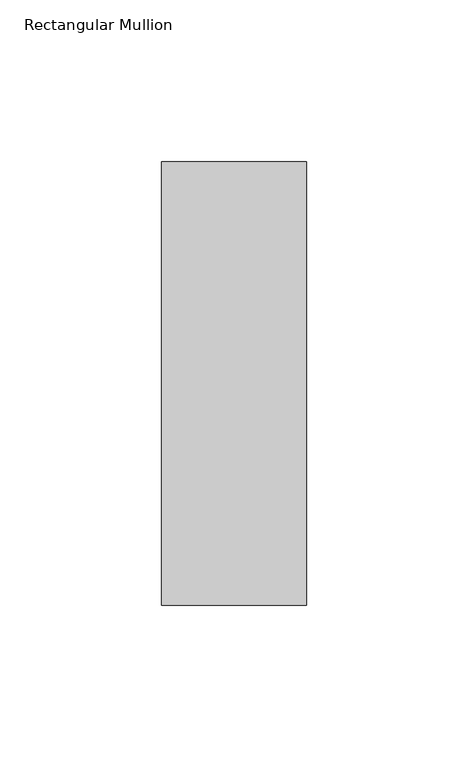
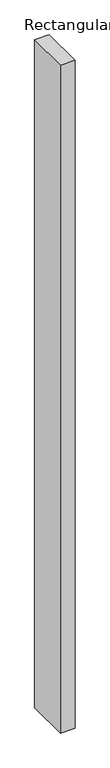
"""IFC4 building model written with IfcOpenShell, lengths in millimetres: member geometry, Rectangular Mullion."""

from ifc_helpers import new_model, si_unit, frame, origin, place, context, project, spatial, polyline, outline, extrude, source, transform, mapped, element, save


def rectangular_mullion_28a2f9d8(model_context):
    return source(origin(), model_context, "Body", "SweptSolid", [
        extrude(outline(polyline([(22.5, 84.19375), (22.5, -53.19375), (-22.5, -53.19375), (-22.5, 84.19375), (22.5, 84.19375)])), frame((0.0, 0.0, -2178.5642788), z_axis=(0.0, 0.0, 1.0), x_axis=(1.0, 0.0, 0.0)), (0.0, 0.0, 1.0), 2178.5642788),
    ])


if __name__ == "__main__":
    model = new_model("IFC4")
    model_context = context("Model", 3, world=origin())
    ifc_project = project(units=[si_unit("LENGTHUNIT", "METRE", prefix="MILLI")], contexts=[model_context])
    site = spatial("IfcSite", under=ifc_project)
    building = spatial("IfcBuilding", under=site)
    placement = place(None, origin())
    rectangular_mullion_shape = rectangular_mullion_28a2f9d8(model_context)
    element("IfcMember", 1, ObjectType="Rectangular Mullion", at=placement, inside=building, context=model_context, shape_type="MappedRepresentation", body=[
        mapped(rectangular_mullion_shape, transform((0.0, 0.0, 0.0), x_axis=(1.0, 0.0, 0.0), y_axis=(0.0, 1.0, 0.0), z_axis=(0.0, 0.0, 1.0))),
    ])
    save(model, "model.ifc")
